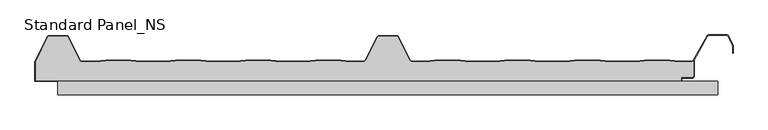
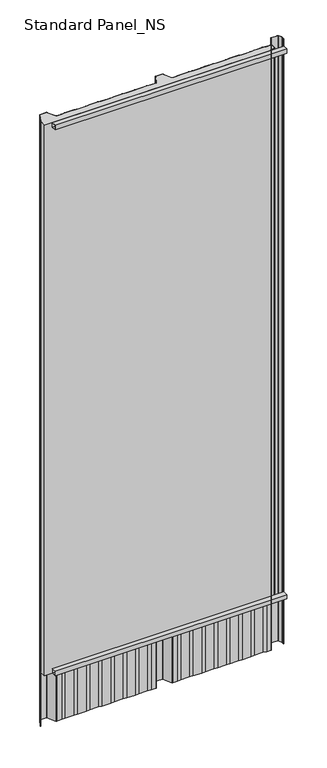
"""IFC4 building model written with IfcOpenShell, lengths in millimetres: proxy geometry, Standard Panel_NS."""

import ifcopenshell
import ifcopenshell.guid

model = None  # the IFC model being written
_history = None  # IfcOwnerHistory: only IFC2X3 demands one
_inside = {}  # id of a spatial element -> (the spatial element, [elements in it])
_under = {}  # id of a project, library or spatial element -> (it, [spatial elements below it])
_declared = {}  # id of a project -> (the project, [libraries it declares])
_typed = {}  # id of a type object -> (the type object, [elements of that type])
_made_of = {}  # id of a material, layer set ... -> (it, [elements and type objects made of it])


def new_model(schema):
    """Start an empty IFC model of exactly this schema.

    Asked for "IFC4X3", IfcOpenShell would pick the latest addendum, in which some entities
    have other attributes; the version numbers below select the first issue.
    IFC2X3 requires an IfcOwnerHistory on every rooted entity: one is made here for all.
    """
    global model, _history
    if schema == "IFC4X3":
        model = ifcopenshell.file(schema_version=(4, 3, 0, 0))
    else:
        model = ifcopenshell.file(schema=schema)
    _inside.clear()
    _under.clear()
    _declared.clear()
    _typed.clear()
    _made_of.clear()
    _history = None
    if model.schema == "IFC2X3":
        org = make("IfcOrganization", Name="unknown")
        user = make(
            "IfcPersonAndOrganization",
            ThePerson=make("IfcPerson", FamilyName="unknown"),
            TheOrganization=org,
        )
        app = make(
            "IfcApplication",
            ApplicationDeveloper=org,
            Version="unknown",
            ApplicationFullName="unknown",
            ApplicationIdentifier="unknown",
        )
        _history = make(
            "IfcOwnerHistory",
            OwningUser=user,
            OwningApplication=app,
            ChangeAction="ADDED",
            CreationDate=0,
        )
    return model


def make(cls, **values):
    """One entity of the class cls with the attributes given. An attribute that is None is left unset."""
    return model.create_entity(
        cls, **{name: value for name, value in values.items() if value is not None}
    )


def rooted(cls, **values):
    """An entity with a GlobalId (a new one), such as an element, a storey or a relation."""
    return make(cls, GlobalId=ifcopenshell.guid.new(), OwnerHistory=_history, **values)


def si_unit(unit_type, name, prefix=None):
    """IfcSIUnit, for example si_unit("LENGTHUNIT", "METRE", prefix="MILLI")."""
    return make("IfcSIUnit", UnitType=unit_type, Prefix=prefix, Name=name)


def assignment(units):
    """IfcUnitAssignment: the units of a project."""
    return None if units is None else make("IfcUnitAssignment", Units=units)


def point(xyz):
    """IfcCartesianPoint."""
    return None if xyz is None else make("IfcCartesianPoint", Coordinates=xyz)


def direction(xyz):
    """IfcDirection."""
    return None if xyz is None else make("IfcDirection", DirectionRatios=xyz)


def frame(location, z_axis=None, x_axis=None):
    """IfcAxis2Placement3D, a coordinate frame: its origin and axes. An axis left out is left unset."""
    return make(
        "IfcAxis2Placement3D",
        Location=point(location),
        Axis=direction(z_axis),
        RefDirection=direction(x_axis),
    )


def frame_2d(location, x_axis=None):
    """IfcAxis2Placement2D, a coordinate frame in the plane: its origin and x axis."""
    return make(
        "IfcAxis2Placement2D", Location=point(location), RefDirection=direction(x_axis)
    )


def origin():
    """The frame at (0, 0, 0) with its axes left unset."""
    return frame((0.0, 0.0, 0.0))


def origin_with_axes():
    """The frame at (0, 0, 0) with the z axis (0, 0, 1) and the x axis (1, 0, 0) written out."""
    return frame((0.0, 0.0, 0.0), z_axis=(0.0, 0.0, 1.0), x_axis=(1.0, 0.0, 0.0))


def place(relative_to, where):
    """IfcLocalPlacement: puts the frame where relative to a parent placement (None: the world)."""
    return make(
        "IfcLocalPlacement", PlacementRelTo=relative_to, RelativePlacement=where
    )


def context(
    kind, dimensions, precision=None, world=None, true_north=None, identifier=None
):
    """IfcGeometricRepresentationContext, for example the 3D "Model" context."""
    return make(
        "IfcGeometricRepresentationContext",
        ContextIdentifier=identifier,
        ContextType=kind,
        CoordinateSpaceDimension=dimensions,
        Precision=precision,
        WorldCoordinateSystem=world,
        TrueNorth=true_north,
    )


def project(units=None, contexts=None):
    """IfcProject with its units and contexts."""
    return rooted(
        "IfcProject",
        Name="project",
        RepresentationContexts=contexts,
        UnitsInContext=assignment(units),
    )


def spatial(cls, under=None, at=None, **own):
    """A site, building, storey or space (cls), placed at a placement, below another one or the project."""
    s = rooted(cls, ObjectPlacement=at, **own)
    if under is not None:
        _under.setdefault(under.id(), (under, []))[1].append(s)
    return s


def polyline(points):
    """IfcPolyline through the points."""
    return make("IfcPolyline", Points=[point(p) for p in points])


def circle_curve(where, radius):
    """IfcCircle in the frame where."""
    return make("IfcCircle", Position=where, Radius=radius)


def trimmed(basis, trim1, trim2, sense, master):
    """IfcTrimmedCurve: the piece of a basis curve between two trims."""
    return make(
        "IfcTrimmedCurve",
        BasisCurve=basis,
        Trim1=trim1,
        Trim2=trim2,
        SenseAgreement=sense,
        MasterRepresentation=master,
    )


def segment(curve, same_sense, transition):
    """IfcCompositeCurveSegment."""
    return make(
        "IfcCompositeCurveSegment",
        Transition=transition,
        SameSense=same_sense,
        ParentCurve=curve,
    )


def composite_curve(segments, self_intersect=None):
    """IfcCompositeCurve: segments joined end to end."""
    return make("IfcCompositeCurve", Segments=segments, SelfIntersect=self_intersect)


def outline(outer, holes=None, kind="AREA"):
    """IfcArbitraryClosedProfileDef: a profile drawn as a closed curve; with holes, ...WithVoids."""
    if holes is None:
        return make("IfcArbitraryClosedProfileDef", ProfileType=kind, OuterCurve=outer)
    return make(
        "IfcArbitraryProfileDefWithVoids",
        ProfileType=kind,
        OuterCurve=outer,
        InnerCurves=holes,
    )


def extrude(swept, where, along, depth):
    """IfcExtrudedAreaSolid: the profile swept, set in the frame where, extruded along a direction by depth."""
    return make(
        "IfcExtrudedAreaSolid",
        SweptArea=swept,
        Position=where,
        ExtrudedDirection=direction(along),
        Depth=depth,
    )


def shape(context_of_items, identifier, shape_type, items):
    """IfcShapeRepresentation: the items that make up one representation, for example the "Body"."""
    return make(
        "IfcShapeRepresentation",
        ContextOfItems=context_of_items,
        RepresentationIdentifier=identifier,
        RepresentationType=shape_type,
        Items=items,
    )


def source(mapping_origin, context_of_items, identifier, shape_type, items):
    """IfcRepresentationMap: a shape defined once, which mapped items show again and again."""
    return make(
        "IfcRepresentationMap",
        MappingOrigin=mapping_origin,
        MappedRepresentation=shape(context_of_items, identifier, shape_type, items),
    )


def transform(
    local_origin,
    x_axis=None,
    y_axis=None,
    z_axis=None,
    scale=None,
    scale2=None,
    scale3=None,
    uniform=True,
):
    """IfcCartesianTransformationOperator3D, or its non-uniform kind. x_axis, y_axis, z_axis: its Axis1, 2, 3."""
    if uniform:
        return make(
            "IfcCartesianTransformationOperator3D",
            Axis1=direction(x_axis),
            Axis2=direction(y_axis),
            LocalOrigin=point(local_origin),
            Scale=scale,
            Axis3=direction(z_axis),
        )
    return make(
        "IfcCartesianTransformationOperator3DnonUniform",
        Axis1=direction(x_axis),
        Axis2=direction(y_axis),
        LocalOrigin=point(local_origin),
        Scale=scale,
        Axis3=direction(z_axis),
        Scale2=scale2,
        Scale3=scale3,
    )


def mapped(mapping_source, mapping_target):
    """IfcMappedItem: shows the shape of a source again, moved by a transform."""
    return make(
        "IfcMappedItem", MappingSource=mapping_source, MappingTarget=mapping_target
    )


def made_of(thing, what):
    """Note that an element or type object is made of a material, layer set ...; save() writes the relation."""
    if what is not None:
        _made_of.setdefault(what.id(), (what, []))[1].append(thing)
    return thing


def element(
    cls,
    number,
    at=None,
    inside=None,
    cuts=None,
    type_object=None,
    material=None,
    context=None,
    identifier="Body",
    shape_type=None,
    held_by="IfcProductDefinitionShape",
    body=None,
    shapes=None,
    **own,
):
    """One element of the class cls, such as IfcWall. Its Tag is "e" and its number.

    at: its placement. inside: the storey or other place that contains it. cuts: it is an
    opening in that element (IfcRelVoidsElement). A single representation is given by context,
    identifier, shape_type and body (its items); several are given by shapes. held_by: the class
    of the entity that holds the representations. save() writes the other relations.
    """
    e = rooted(cls, Tag="e%d" % number, ObjectPlacement=at, **own)
    if body is not None:
        shapes = [shape(context, identifier, shape_type, body)]
    if shapes is not None:
        e.Representation = make(held_by, Representations=shapes)
    if inside is not None:
        _inside.setdefault(inside.id(), (inside, []))[1].append(e)
    if cuts is not None:
        rooted(
            "IfcRelVoidsElement", RelatingBuildingElement=cuts, RelatedOpeningElement=e
        )
    if type_object is not None:
        _typed.setdefault(type_object.id(), (type_object, []))[1].append(e)
    return made_of(e, material)


def aggregate(whole, parts):
    """IfcRelAggregates: a whole, such as a stair, and the parts it consists of."""
    return rooted("IfcRelAggregates", RelatingObject=whole, RelatedObjects=parts)


def save(model, path):
    """Write the relations noted so far, then the file.

    IfcRelAggregates (storeys below a building ...), IfcRelContainedInSpatialStructure (elements
    in a storey), IfcRelDefinesByType, IfcRelAssociatesMaterial and IfcRelDeclares: one each for
    every whole, place, type object, material and project.
    """
    for whole, parts in _under.values():
        aggregate(whole, parts)
    for where, things in _inside.values():
        rooted(
            "IfcRelContainedInSpatialStructure",
            RelatedElements=things,
            RelatingStructure=where,
        )
    for kind, things in _typed.values():
        rooted("IfcRelDefinesByType", RelatedObjects=things, RelatingType=kind)
    for what, things in _made_of.values():
        rooted("IfcRelAssociatesMaterial", RelatedObjects=things, RelatingMaterial=what)
    for by, libraries in _declared.values():
        rooted("IfcRelDeclares", RelatingContext=by, RelatedDefinitions=libraries)
    model.write(path)


def standard_panel_ns_a243615c(model_context):
    return source(origin(), model_context, "Body", "SweptSolid", [
        extrude(outline(polyline([(20.0, 0.0), (0.0, 0.0), (0.0, 20.0), (20.0, 20.0), (20.0, 0.0)]), holes=[polyline([(0.9, 19.1), (0.9, 0.9), (19.1, 0.9), (19.1, 19.1), (0.9, 19.1)])]), frame((-499.5000907, 0.0, 0.0), z_axis=(1.0, 0.0, 0.0), x_axis=(0.0, 1.0, 0.0)), (0.0, 0.0, 1.0), 999.5000907),
        extrude(outline(polyline([(20.0, 2512.4689053), (20.0, 2492.4689053), (0.0, 2492.4689053), (0.0, 2512.4689053), (20.0, 2512.4689053)]), holes=[polyline([(0.9, 2511.5689053), (0.9, 2493.3689053), (19.1, 2493.3689053), (19.1, 2511.5689053), (0.9, 2511.5689053)])]), frame((-500.0, 0.0, 0.0), z_axis=(1.0, 0.0, 0.0), x_axis=(0.0, 1.0, 0.0)), (0.0, 0.0, 1.0), 1000.0),
        extrude(outline(composite_curve([segment(trimmed(circle_curve(frame_2d((461.2333678, 27.9776976)), 2.1), [point((463.3333678, 27.9776976))], [point((461.2333678, 25.8776976))], False, "CARTESIAN"), True, "CONTINUOUS"), segment(polyline([(461.2333678, 25.8776976), (444.4044996, 25.8776976), (444.4044996, 20.8776976), (-533.8689812, 20.8776976), (-533.8689812, 49.987751), (-515.1468491, 87.2989838)]), True, "CONTINUOUS"), segment(trimmed(circle_curve(frame_2d((-513.1679785, 86.3376976)), 2.2), [point((-515.1468491, 87.2989838))], [point((-513.1679785, 88.5376976))], False, "CARTESIAN"), True, "CONTINUOUS"), segment(polyline([(-513.1679785, 88.5376976), (-486.83184, 88.5376976)]), True, "CONTINUOUS"), segment(trimmed(circle_curve(frame_2d((-486.83184, 86.3376976)), 2.2), [point((-486.83184, 88.5376976))], [point((-484.8632284, 87.3198221))], False, "CARTESIAN"), True, "CONTINUOUS"), segment(polyline([(-484.8632284, 87.3198221), (-466.9621881, 51.7014308)]), True, "CONTINUOUS"), segment(trimmed(circle_curve(frame_2d((-463.5629534, 53.4000196)), 3.8), [point((-466.9621881, 51.7014308))], [point((-463.5629534, 49.6000196))], True, "CARTESIAN"), True, "CONTINUOUS"), segment(polyline([(-463.5629534, 49.6000196), (-442.4071525, 49.6000196), (-427.5266141, 51.4), (-389.5037331, 51.4), (-374.6231947, 49.6000196), (-336.4071525, 49.6000196), (-321.5266141, 51.4), (-283.5037331, 51.4), (-268.6231947, 49.6000196), (-230.4071525, 49.6000196), (-215.5266141, 51.4), (-177.5037331, 51.4), (-162.6231947, 49.6000196), (-124.4071525, 49.6000196), (-109.5266141, 51.4), (-71.5037331, 51.4), (-56.6231947, 49.6000196), (-36.856799, 49.6000196)]), True, "CONTINUOUS"), segment(trimmed(circle_curve(frame_2d((-36.856799, 53.4000196)), 3.8), [point((-36.856799, 49.6000196))], [point((-33.4593215, 51.697919))], True, "CARTESIAN"), True, "CONTINUOUS"), segment(polyline([(-33.4593215, 51.697919), (-15.1166702, 87.3890619)]), True, "CONTINUOUS"), segment(trimmed(circle_curve(frame_2d((-13.1465337, 86.41)), 2.2), [point((-15.1166702, 87.3890619))], [point((-13.1465337, 88.61))], False, "CARTESIAN"), True, "CONTINUOUS"), segment(polyline([(-13.1465337, 88.61), (13.1431912, 88.61)]), True, "CONTINUOUS"), segment(trimmed(circle_curve(frame_2d((13.1431912, 86.41)), 2.2), [point((13.1431912, 88.61))], [point((15.1133281, 87.389061))], False, "CARTESIAN"), True, "CONTINUOUS"), segment(polyline([(15.1133281, 87.389061), (33.4515652, 51.7067576)]), True, "CONTINUOUS"), segment(trimmed(circle_curve(frame_2d((36.8490422, 53.4088594)), 3.8), [point((33.4515652, 51.7067576))], [point((36.8490422, 49.6088594))], True, "CARTESIAN"), True, "CONTINUOUS"), segment(polyline([(36.8490422, 49.6088594), (56.6929307, 49.6088594), (71.5003906, 51.4), (109.5232716, 51.4), (124.3424702, 49.6074394), (162.6811919, 49.6074394), (177.5003906, 51.4), (215.5232716, 51.4), (230.356647, 49.6057246), (268.6670151, 49.6057246), (283.5003906, 51.4), (321.5232716, 51.4), (336.3708239, 49.6040097), (374.6528383, 49.6040097), (389.5003906, 51.4), (427.5232716, 51.4), (442.3850007, 49.6022949), (460.2255768, 49.6022949)]), True, "CONTINUOUS"), segment(trimmed(circle_curve(frame_2d((460.1791882, 53.4020117)), 3.8), [point((460.2255768, 49.6022949))], [point((463.3333678, 51.2827781))], True, "CARTESIAN"), True, "CONTINUOUS"), segment(polyline([(463.3333678, 51.2827781), (463.3333678, 27.9776976)]), True, "CONTINUOUS")], self_intersect=False)), origin_with_axes(), (0.0, 0.0, 1.0), 2512.4689053),
        extrude(outline(composite_curve([segment(polyline([(-321.5748232, 52.2), (-283.455524, 52.2), (-268.5749856, 50.4000196), (-230.4553616, 50.4000196), (-215.5748232, 52.2), (-177.455524, 52.2), (-162.5749856, 50.4000196), (-124.4553616, 50.4000196), (-109.5748232, 52.2), (-71.455524, 52.2), (-56.5749856, 50.4000196), (-36.856799, 50.4000196)]), True, "CONTINUOUS"), segment(trimmed(circle_curve(frame_2d((-36.856799, 53.4000196)), 3.0), [point((-36.856799, 50.4000196))], [point((-34.1728476, 52.0597193))], True, "CARTESIAN"), True, "CONTINUOUS"), segment(polyline([(-34.1728476, 52.0597193), (-15.8304851, 87.7503003)]), True, "CONTINUOUS"), segment(trimmed(circle_curve(frame_2d((-13.1465337, 86.41)), 3.0), [point((-15.8304851, 87.7503003))], [point((-13.1465337, 89.41))], False, "CARTESIAN"), True, "CONTINUOUS"), segment(polyline([(-13.1465337, 89.41), (13.1431912, 89.41)]), True, "CONTINUOUS"), segment(trimmed(circle_curve(frame_2d((13.1431912, 86.41)), 3.0), [point((13.1431912, 89.41))], [point((15.8271426, 87.7503003))], False, "CARTESIAN"), True, "CONTINUOUS"), segment(polyline([(15.8271426, 87.7503003), (34.1650908, 52.0685591)]), True, "CONTINUOUS"), segment(trimmed(circle_curve(frame_2d((36.8490422, 53.4088594)), 3.0), [point((34.1650908, 52.0685591))], [point((36.8490422, 50.4088594))], True, "CARTESIAN"), True, "CONTINUOUS"), segment(polyline([(36.8490422, 50.4088594), (56.6447216, 50.4088594), (71.4521815, 52.2), (109.5714807, 52.2), (124.3906793, 50.4074394), (162.6329828, 50.4074394), (177.4521815, 52.2), (215.5714807, 52.2), (230.4048562, 50.4057246), (268.618806, 50.4057246), (283.4521815, 52.2), (321.5714807, 52.2), (336.419033, 50.4040097), (374.6046292, 50.4040097), (389.4521815, 52.2), (427.5714807, 52.2), (442.4332098, 50.4022949), (460.137971, 50.4022949)]), True, "CONTINUOUS"), segment(trimmed(circle_curve(frame_2d((460.1791882, 53.4020117)), 3.0), [point((460.137971, 50.4022949))], [point((462.8067156, 51.9542204))], True, "CARTESIAN"), True, "CONTINUOUS"), segment(polyline([(462.8067156, 51.9542204), (483.709141, 88.8490344)]), True, "CONTINUOUS"), segment(trimmed(circle_curve(frame_2d((486.3366684, 87.401243)), 3.0), [point((483.709141, 88.8490344))], [point((486.3366684, 90.401243))], False, "CARTESIAN"), True, "CONTINUOUS"), segment(polyline([(486.3366684, 90.401243), (513.6856739, 90.401243)]), True, "CONTINUOUS"), segment(trimmed(circle_curve(frame_2d((513.6856739, 87.401243)), 3.0), [point((513.6856739, 90.401243))], [point((516.3696253, 88.7415434))], False, "CARTESIAN"), True, "CONTINUOUS"), segment(polyline([(516.3696253, 88.7415434), (522.8988101, 75.6668507)]), True, "CONTINUOUS"), segment(trimmed(circle_curve(frame_2d((520.2148587, 74.3265504)), 3.0), [point((522.8988101, 75.6668507))], [point((523.2148587, 74.3265504))], False, "CARTESIAN"), True, "CONTINUOUS"), segment(polyline([(523.2148587, 74.3265504), (523.2148587, 62.8571101), (522.4148587, 62.8571101), (522.4148587, 74.3265504)]), True, "CONTINUOUS"), segment(trimmed(circle_curve(frame_2d((520.2148587, 74.3265504)), 2.2), [point((522.4148587, 74.3265504))], [point((522.1830897, 75.3094373))], True, "CARTESIAN"), True, "CONTINUOUS"), segment(polyline([(522.1830897, 75.3094373), (515.6539049, 88.3841299)]), True, "CONTINUOUS"), segment(trimmed(circle_curve(frame_2d((513.6856739, 87.401243)), 2.2), [point((515.6539049, 88.3841299))], [point((513.6856739, 89.601243))], True, "CARTESIAN"), True, "CONTINUOUS"), segment(polyline([(513.6856739, 89.601243), (486.3366684, 89.601243)]), True, "CONTINUOUS"), segment(trimmed(circle_curve(frame_2d((486.3366684, 87.401243)), 2.2), [point((486.3366684, 89.601243))], [point((484.4077107, 88.4591287))], True, "CARTESIAN"), True, "CONTINUOUS"), segment(polyline([(484.4077107, 88.4591287), (463.5049669, 51.5637527)]), True, "CONTINUOUS"), segment(trimmed(circle_curve(frame_2d((460.1791882, 53.4020117)), 3.8), [point((463.5049669, 51.5637527))], [point((460.1327996, 49.6022949))], False, "CARTESIAN"), True, "CONTINUOUS"), segment(polyline([(460.1327996, 49.6022949), (442.3850007, 49.6022949), (427.5232716, 51.4), (389.5003906, 51.4), (374.6528383, 49.6040097), (336.3708239, 49.6040097), (321.5232716, 51.4), (283.5003906, 51.4), (268.6670151, 49.6057246), (230.356647, 49.6057246), (215.5232716, 51.4), (177.5003906, 51.4), (162.6811919, 49.6074394), (124.3424702, 49.6074394), (109.5232716, 51.4), (71.5003906, 51.4), (56.6929307, 49.6088594), (36.8490422, 49.6088594)]), True, "CONTINUOUS"), segment(trimmed(circle_curve(frame_2d((36.8490422, 53.4088594)), 3.8), [point((36.8490422, 49.6088594))], [point((33.4515652, 51.7067576))], False, "CARTESIAN"), True, "CONTINUOUS"), segment(polyline([(33.4515652, 51.7067576), (15.1133281, 87.389061)]), True, "CONTINUOUS"), segment(trimmed(circle_curve(frame_2d((13.1431912, 86.41)), 2.2), [point((15.1133281, 87.389061))], [point((13.1431912, 88.61))], True, "CARTESIAN"), True, "CONTINUOUS"), segment(polyline([(13.1431912, 88.61), (-13.1465337, 88.61)]), True, "CONTINUOUS"), segment(trimmed(circle_curve(frame_2d((-13.1465337, 86.41)), 2.2), [point((-13.1465337, 88.61))], [point((-15.1166702, 87.3890619))], True, "CARTESIAN"), True, "CONTINUOUS"), segment(polyline([(-15.1166702, 87.3890619), (-33.4593215, 51.697919)]), True, "CONTINUOUS"), segment(trimmed(circle_curve(frame_2d((-36.856799, 53.4000196)), 3.8), [point((-33.4593215, 51.697919))], [point((-36.856799, 49.6000196))], False, "CARTESIAN"), True, "CONTINUOUS"), segment(polyline([(-36.856799, 49.6000196), (-56.6231947, 49.6000196), (-71.5037331, 51.4), (-109.5266141, 51.4), (-124.4071525, 49.6000196), (-162.6231947, 49.6000196), (-177.5037331, 51.4), (-215.5266141, 51.4), (-230.4071525, 49.6000196), (-268.6231947, 49.6000196), (-283.5037331, 51.4), (-321.5266141, 51.4), (-336.4071525, 49.6000196), (-374.6231947, 49.6000196), (-389.5037331, 51.4), (-427.5266141, 51.4), (-442.4071525, 49.6000196), (-463.5629534, 49.6000196)]), True, "CONTINUOUS"), segment(trimmed(circle_curve(frame_2d((-463.5629534, 53.4000196)), 3.8), [point((-463.5629534, 49.6000196))], [point((-466.9621881, 51.7014308))], False, "CARTESIAN"), True, "CONTINUOUS"), segment(polyline([(-466.9621881, 51.7014308), (-484.8632284, 87.3421244)]), True, "CONTINUOUS"), segment(trimmed(circle_curve(frame_2d((-486.83184, 86.36)), 2.2), [point((-484.8632284, 87.3421244))], [point((-486.83184, 88.56))], True, "CARTESIAN"), True, "CONTINUOUS"), segment(polyline([(-486.83184, 88.56), (-513.1679785, 88.56)]), True, "CONTINUOUS"), segment(trimmed(circle_curve(frame_2d((-513.1679785, 86.36)), 2.2), [point((-513.1679785, 88.56))], [point((-515.1468491, 87.3212862))], True, "CARTESIAN"), True, "CONTINUOUS"), segment(polyline([(-515.1468491, 87.3212862), (-533.8740229, 49.9776976), (-534.7689812, 49.9776976), (-515.8640556, 87.6757386)]), True, "CONTINUOUS"), segment(trimmed(circle_curve(frame_2d((-513.1679785, 86.36)), 3.0), [point((-515.8640556, 87.6757386))], [point((-513.1679785, 89.36))], False, "CARTESIAN"), True, "CONTINUOUS"), segment(polyline([(-513.1679785, 89.36), (-486.83184, 89.36)]), True, "CONTINUOUS"), segment(trimmed(circle_curve(frame_2d((-486.83184, 86.36)), 3.0), [point((-486.83184, 89.36))], [point((-484.1478886, 87.7003003))], False, "CARTESIAN"), True, "CONTINUOUS"), segment(polyline([(-484.1478886, 87.7003003), (-466.2469048, 52.0597193)]), True, "CONTINUOUS"), segment(trimmed(circle_curve(frame_2d((-463.5629534, 53.4000196)), 3.0), [point((-466.2469048, 52.0597193))], [point((-463.5629534, 50.4000196))], True, "CARTESIAN"), True, "CONTINUOUS"), segment(polyline([(-463.5629534, 50.4000196), (-442.4553616, 50.4000196), (-427.5748232, 52.2), (-389.455524, 52.2), (-374.5749856, 50.4000196), (-336.4553616, 50.4000196), (-321.5748232, 52.2)]), True, "CONTINUOUS")], self_intersect=False)), frame((0.0, 0.0, -250.0), z_axis=(0.0, 0.0, 1.0), x_axis=(1.0, 0.0, 0.0)), (0.0, 0.0, 1.0), 2762.4689053),
        extrude(outline(composite_curve([segment(polyline([(-534.7689812, 49.9776976), (-533.8689812, 49.9776976), (-533.8689812, 20.9), (444.4044996, 20.9), (444.4044996, 25.9), (461.2333678, 25.9)]), True, "CONTINUOUS"), segment(trimmed(circle_curve(frame_2d((461.2333678, 28.0)), 2.1), [point((461.2333678, 25.9))], [point((463.3333678, 28.0))], True, "CARTESIAN"), True, "CONTINUOUS"), segment(polyline([(463.3333678, 28.0), (463.3333678, 51.2827781), (464.2333678, 52.8494512), (464.2333678, 28.0)]), True, "CONTINUOUS"), segment(trimmed(circle_curve(frame_2d((461.2333678, 28.0)), 3.0), [point((464.2333678, 28.0))], [point((461.2333678, 25.0))], False, "CARTESIAN"), True, "CONTINUOUS"), segment(polyline([(461.2333678, 25.0), (445.3044996, 25.0), (445.3044996, 20.0), (-534.7689812, 20.0), (-534.7689812, 49.9776976)]), True, "CONTINUOUS")], self_intersect=False)), origin_with_axes(), (0.0, 0.0, 1.0), 2512.4689053),
    ])


if __name__ == "__main__":
    model = new_model("IFC4")
    model_context = context("Model", 3, world=origin())
    ifc_project = project(units=[si_unit("LENGTHUNIT", "METRE", prefix="MILLI")], contexts=[model_context])
    site = spatial("IfcSite", under=ifc_project)
    building = spatial("IfcBuilding", under=site)
    placement = place(None, origin())
    standard_panel_ns_shape = standard_panel_ns_a243615c(model_context)
    element("IfcBuildingElementProxy", 1, Name="Standard Panel_NS", ObjectType="Standard Panel_NS", at=placement, inside=building, context=model_context, shape_type="MappedRepresentation", body=[
        mapped(standard_panel_ns_shape, transform((0.0, 0.0, 0.0), x_axis=(1.0, 0.0, 0.0), y_axis=(0.0, 1.0, 0.0), z_axis=(0.0, 0.0, 1.0))),
    ])
    save(model, "model.ifc")
